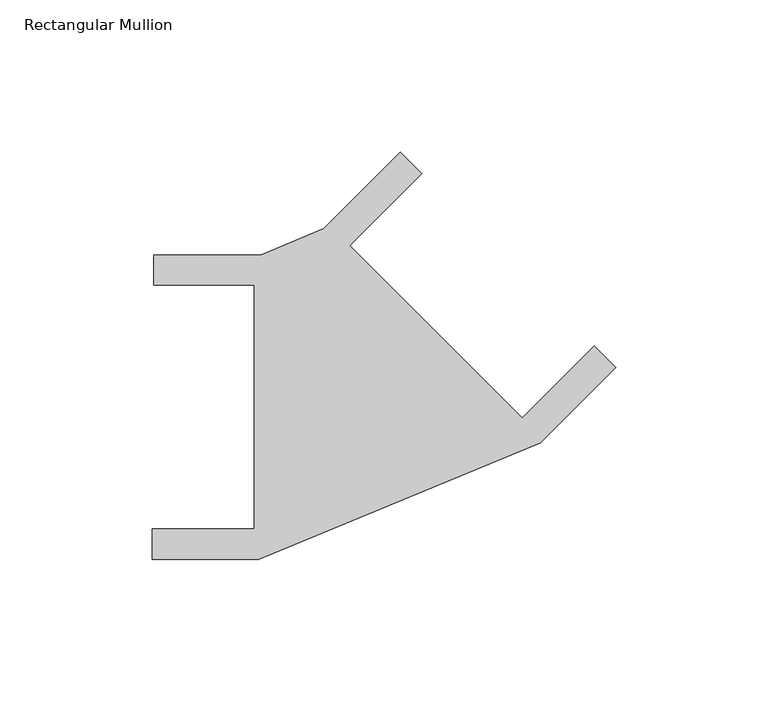
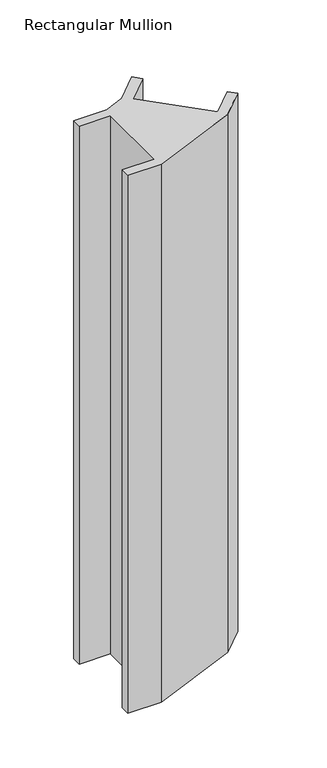
"""IFC4 building model written with IfcOpenShell, lengths in millimetres: member geometry, Rectangular Mullion."""

from ifc_helpers import new_model, si_unit, frame, origin, place, context, project, spatial, polyline, outline, extrude, source, transform, mapped, element, save


def rectangular_mullion_35834f95(model_context):
    return source(origin(), model_context, "Body", "SweptSolid", [
        extrude(outline(polyline([(-33.0, 50.0), (2.0, 50.0), (22.7696003, 58.6030501), (47.8943088, 83.7277587), (54.9653767, 76.6566909), (31.2772995, 52.9686137), (87.845842, -3.5999288), (111.5339191, 20.0881484), (118.604987, 13.0170806), (93.8562496, -11.7316568), (1.4682964, -50.0), (-33.5317036, -50.0), (-33.5317036, -40.0), (0.0, -40.0), (0.0, 40.0), (-33.0, 40.0), (-33.0, 50.0)])), frame((0.0, 0.0, -600.0), z_axis=(0.0, 0.0, 1.0), x_axis=(1.0, 0.0, 0.0)), (0.0, 0.0, 1.0), 600.0),
    ])


if __name__ == "__main__":
    model = new_model("IFC4")
    model_context = context("Model", 3, world=origin())
    ifc_project = project(units=[si_unit("LENGTHUNIT", "METRE", prefix="MILLI")], contexts=[model_context])
    site = spatial("IfcSite", under=ifc_project)
    building = spatial("IfcBuilding", under=site)
    placement = place(None, origin())
    rectangular_mullion_shape = rectangular_mullion_35834f95(model_context)
    element("IfcMember", 1, ObjectType="Rectangular Mullion", at=placement, inside=building, context=model_context, shape_type="MappedRepresentation", body=[
        mapped(rectangular_mullion_shape, transform((0.0, 0.0, 0.0), x_axis=(1.0, 0.0, 0.0), y_axis=(0.0, 1.0, 0.0), z_axis=(0.0, 0.0, 1.0))),
    ])
    save(model, "model.ifc")
